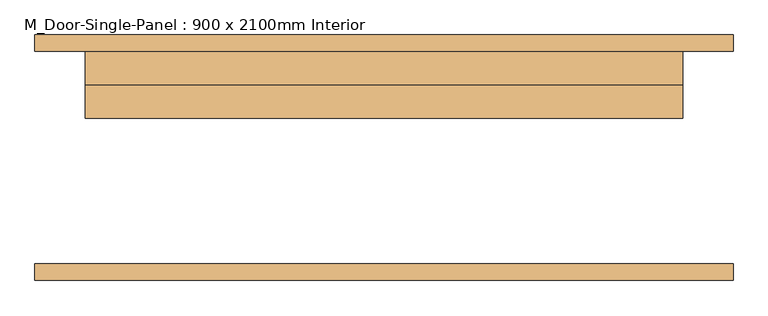
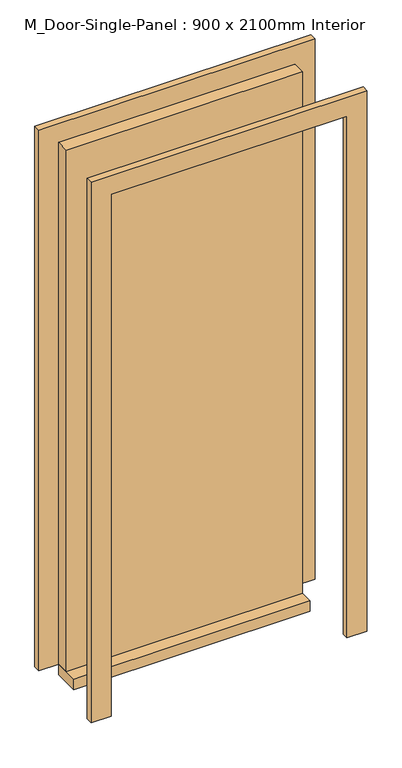
"""IFC4 building model written with IfcOpenShell, lengths in millimetres: door geometry, M_Door-Single-Panel : 900 x 2100mm Interior."""

import ifcopenshell
import ifcopenshell.guid

model = None  # the IFC model being written
_history = None  # IfcOwnerHistory: only IFC2X3 demands one
_inside = {}  # id of a spatial element -> (the spatial element, [elements in it])
_under = {}  # id of a project, library or spatial element -> (it, [spatial elements below it])
_declared = {}  # id of a project -> (the project, [libraries it declares])
_typed = {}  # id of a type object -> (the type object, [elements of that type])
_made_of = {}  # id of a material, layer set ... -> (it, [elements and type objects made of it])


def new_model(schema):
    """Start an empty IFC model of exactly this schema.

    Asked for "IFC4X3", IfcOpenShell would pick the latest addendum, in which some entities
    have other attributes; the version numbers below select the first issue.
    IFC2X3 requires an IfcOwnerHistory on every rooted entity: one is made here for all.
    """
    global model, _history
    if schema == "IFC4X3":
        model = ifcopenshell.file(schema_version=(4, 3, 0, 0))
    else:
        model = ifcopenshell.file(schema=schema)
    _inside.clear()
    _under.clear()
    _declared.clear()
    _typed.clear()
    _made_of.clear()
    _history = None
    if model.schema == "IFC2X3":
        org = make("IfcOrganization", Name="unknown")
        user = make(
            "IfcPersonAndOrganization",
            ThePerson=make("IfcPerson", FamilyName="unknown"),
            TheOrganization=org,
        )
        app = make(
            "IfcApplication",
            ApplicationDeveloper=org,
            Version="unknown",
            ApplicationFullName="unknown",
            ApplicationIdentifier="unknown",
        )
        _history = make(
            "IfcOwnerHistory",
            OwningUser=user,
            OwningApplication=app,
            ChangeAction="ADDED",
            CreationDate=0,
        )
    return model


def make(cls, **values):
    """One entity of the class cls with the attributes given. An attribute that is None is left unset."""
    return model.create_entity(
        cls, **{name: value for name, value in values.items() if value is not None}
    )


def rooted(cls, **values):
    """An entity with a GlobalId (a new one), such as an element, a storey or a relation."""
    return make(cls, GlobalId=ifcopenshell.guid.new(), OwnerHistory=_history, **values)


def si_unit(unit_type, name, prefix=None):
    """IfcSIUnit, for example si_unit("LENGTHUNIT", "METRE", prefix="MILLI")."""
    return make("IfcSIUnit", UnitType=unit_type, Prefix=prefix, Name=name)


def assignment(units):
    """IfcUnitAssignment: the units of a project."""
    return None if units is None else make("IfcUnitAssignment", Units=units)


def point(xyz):
    """IfcCartesianPoint."""
    return None if xyz is None else make("IfcCartesianPoint", Coordinates=xyz)


def direction(xyz):
    """IfcDirection."""
    return None if xyz is None else make("IfcDirection", DirectionRatios=xyz)


def frame(location, z_axis=None, x_axis=None):
    """IfcAxis2Placement3D, a coordinate frame: its origin and axes. An axis left out is left unset."""
    return make(
        "IfcAxis2Placement3D",
        Location=point(location),
        Axis=direction(z_axis),
        RefDirection=direction(x_axis),
    )


def origin():
    """The frame at (0, 0, 0) with its axes left unset."""
    return frame((0.0, 0.0, 0.0))


def origin_with_axes():
    """The frame at (0, 0, 0) with the z axis (0, 0, 1) and the x axis (1, 0, 0) written out."""
    return frame((0.0, 0.0, 0.0), z_axis=(0.0, 0.0, 1.0), x_axis=(1.0, 0.0, 0.0))


def place(relative_to, where):
    """IfcLocalPlacement: puts the frame where relative to a parent placement (None: the world)."""
    return make(
        "IfcLocalPlacement", PlacementRelTo=relative_to, RelativePlacement=where
    )


def context(
    kind, dimensions, precision=None, world=None, true_north=None, identifier=None
):
    """IfcGeometricRepresentationContext, for example the 3D "Model" context."""
    return make(
        "IfcGeometricRepresentationContext",
        ContextIdentifier=identifier,
        ContextType=kind,
        CoordinateSpaceDimension=dimensions,
        Precision=precision,
        WorldCoordinateSystem=world,
        TrueNorth=true_north,
    )


def project(units=None, contexts=None):
    """IfcProject with its units and contexts."""
    return rooted(
        "IfcProject",
        Name="project",
        RepresentationContexts=contexts,
        UnitsInContext=assignment(units),
    )


def spatial(cls, under=None, at=None, **own):
    """A site, building, storey or space (cls), placed at a placement, below another one or the project."""
    s = rooted(cls, ObjectPlacement=at, **own)
    if under is not None:
        _under.setdefault(under.id(), (under, []))[1].append(s)
    return s


def polyline(points):
    """IfcPolyline through the points."""
    return make("IfcPolyline", Points=[point(p) for p in points])


def outline(outer, holes=None, kind="AREA"):
    """IfcArbitraryClosedProfileDef: a profile drawn as a closed curve; with holes, ...WithVoids."""
    if holes is None:
        return make("IfcArbitraryClosedProfileDef", ProfileType=kind, OuterCurve=outer)
    return make(
        "IfcArbitraryProfileDefWithVoids",
        ProfileType=kind,
        OuterCurve=outer,
        InnerCurves=holes,
    )


def extrude(swept, where, along, depth):
    """IfcExtrudedAreaSolid: the profile swept, set in the frame where, extruded along a direction by depth."""
    return make(
        "IfcExtrudedAreaSolid",
        SweptArea=swept,
        Position=where,
        ExtrudedDirection=direction(along),
        Depth=depth,
    )


def shape(context_of_items, identifier, shape_type, items):
    """IfcShapeRepresentation: the items that make up one representation, for example the "Body"."""
    return make(
        "IfcShapeRepresentation",
        ContextOfItems=context_of_items,
        RepresentationIdentifier=identifier,
        RepresentationType=shape_type,
        Items=items,
    )


def source(mapping_origin, context_of_items, identifier, shape_type, items):
    """IfcRepresentationMap: a shape defined once, which mapped items show again and again."""
    return make(
        "IfcRepresentationMap",
        MappingOrigin=mapping_origin,
        MappedRepresentation=shape(context_of_items, identifier, shape_type, items),
    )


def transform(
    local_origin,
    x_axis=None,
    y_axis=None,
    z_axis=None,
    scale=None,
    scale2=None,
    scale3=None,
    uniform=True,
):
    """IfcCartesianTransformationOperator3D, or its non-uniform kind. x_axis, y_axis, z_axis: its Axis1, 2, 3."""
    if uniform:
        return make(
            "IfcCartesianTransformationOperator3D",
            Axis1=direction(x_axis),
            Axis2=direction(y_axis),
            LocalOrigin=point(local_origin),
            Scale=scale,
            Axis3=direction(z_axis),
        )
    return make(
        "IfcCartesianTransformationOperator3DnonUniform",
        Axis1=direction(x_axis),
        Axis2=direction(y_axis),
        LocalOrigin=point(local_origin),
        Scale=scale,
        Axis3=direction(z_axis),
        Scale2=scale2,
        Scale3=scale3,
    )


def mapped(mapping_source, mapping_target):
    """IfcMappedItem: shows the shape of a source again, moved by a transform."""
    return make(
        "IfcMappedItem", MappingSource=mapping_source, MappingTarget=mapping_target
    )


def made_of(thing, what):
    """Note that an element or type object is made of a material, layer set ...; save() writes the relation."""
    if what is not None:
        _made_of.setdefault(what.id(), (what, []))[1].append(thing)
    return thing


def element(
    cls,
    number,
    at=None,
    inside=None,
    cuts=None,
    type_object=None,
    material=None,
    context=None,
    identifier="Body",
    shape_type=None,
    held_by="IfcProductDefinitionShape",
    body=None,
    shapes=None,
    **own,
):
    """One element of the class cls, such as IfcWall. Its Tag is "e" and its number.

    at: its placement. inside: the storey or other place that contains it. cuts: it is an
    opening in that element (IfcRelVoidsElement). A single representation is given by context,
    identifier, shape_type and body (its items); several are given by shapes. held_by: the class
    of the entity that holds the representations. save() writes the other relations.
    """
    e = rooted(cls, Tag="e%d" % number, ObjectPlacement=at, **own)
    if body is not None:
        shapes = [shape(context, identifier, shape_type, body)]
    if shapes is not None:
        e.Representation = make(held_by, Representations=shapes)
    if inside is not None:
        _inside.setdefault(inside.id(), (inside, []))[1].append(e)
    if cuts is not None:
        rooted(
            "IfcRelVoidsElement", RelatingBuildingElement=cuts, RelatedOpeningElement=e
        )
    if type_object is not None:
        _typed.setdefault(type_object.id(), (type_object, []))[1].append(e)
    return made_of(e, material)


def aggregate(whole, parts):
    """IfcRelAggregates: a whole, such as a stair, and the parts it consists of."""
    return rooted("IfcRelAggregates", RelatingObject=whole, RelatedObjects=parts)


def save(model, path):
    """Write the relations noted so far, then the file.

    IfcRelAggregates (storeys below a building ...), IfcRelContainedInSpatialStructure (elements
    in a storey), IfcRelDefinesByType, IfcRelAssociatesMaterial and IfcRelDeclares: one each for
    every whole, place, type object, material and project.
    """
    for whole, parts in _under.values():
        aggregate(whole, parts)
    for where, things in _inside.values():
        rooted(
            "IfcRelContainedInSpatialStructure",
            RelatedElements=things,
            RelatingStructure=where,
        )
    for kind, things in _typed.values():
        rooted("IfcRelDefinesByType", RelatedObjects=things, RelatingType=kind)
    for what, things in _made_of.values():
        rooted("IfcRelAssociatesMaterial", RelatedObjects=things, RelatingMaterial=what)
    for by, libraries in _declared.values():
        rooted("IfcRelDeclares", RelatingContext=by, RelatedDefinitions=libraries)
    model.write(path)


def m_door_single_panel_900_x_2100mm_interior_126b1403(model_context):
    return source(origin(), model_context, "Body", "SweptSolid", [
        extrude(outline(polyline([(450.0, 110.0), (-450.0, 110.0), (-450.0, 160.0), (450.0, 160.0), (450.0, 110.0)])), origin_with_axes(), (0.0, 0.0, 1.0), 2100.0),
        extrude(outline(polyline([(2176.2, -526.2), (0.0, -526.2), (0.0, -450.0), (2100.0, -450.0), (2100.0, 450.0), (0.0, 450.0), (0.0, 526.2), (2176.2, 526.2), (2176.2, -526.2)])), frame((0.0, 160.0, 0.0), z_axis=(0.0, 1.0, 0.0), x_axis=(0.0, 0.0, 1.0)), (0.0, 0.0, 1.0), 25.0),
        extrude(outline(polyline([(2176.2, 526.2), (2176.2, -526.2), (0.0, -526.2), (0.0, -450.0), (2100.0, -450.0), (2100.0, 450.0), (0.0, 450.0), (0.0, 526.2), (2176.2, 526.2)])), frame((0.0, -185.0, 0.0), z_axis=(0.0, 1.0, 0.0), x_axis=(0.0, 0.0, 1.0)), (0.0, 0.0, 1.0), 25.0),
        extrude(outline(polyline([(450.0, 160.0), (450.0, 60.0), (-450.0, 60.0), (-450.0, 160.0), (450.0, 160.0)])), frame((0.0, 0.0, -42.0), z_axis=(0.0, 0.0, 1.0), x_axis=(1.0, 0.0, 0.0)), (0.0, 0.0, 1.0), 42.0),
    ])


if __name__ == "__main__":
    model = new_model("IFC4")
    model_context = context("Model", 3, world=origin())
    ifc_project = project(units=[si_unit("LENGTHUNIT", "METRE", prefix="MILLI")], contexts=[model_context])
    site = spatial("IfcSite", under=ifc_project)
    building = spatial("IfcBuilding", under=site)
    placement = place(None, origin())
    m_door_single_panel_900_x_2100mm_interior_shape = m_door_single_panel_900_x_2100mm_interior_126b1403(model_context)
    element("IfcDoor", 1, ObjectType="M_Door-Single-Panel : 900 x 2100mm Interior", at=placement, inside=building, context=model_context, shape_type="MappedRepresentation", body=[
        mapped(m_door_single_panel_900_x_2100mm_interior_shape, transform((0.0, 0.0, 0.0), x_axis=(1.0, 0.0, 0.0), y_axis=(0.0, 1.0, 0.0), z_axis=(0.0, 0.0, 1.0))),
    ])
    save(model, "model.ifc")
